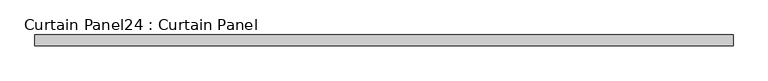
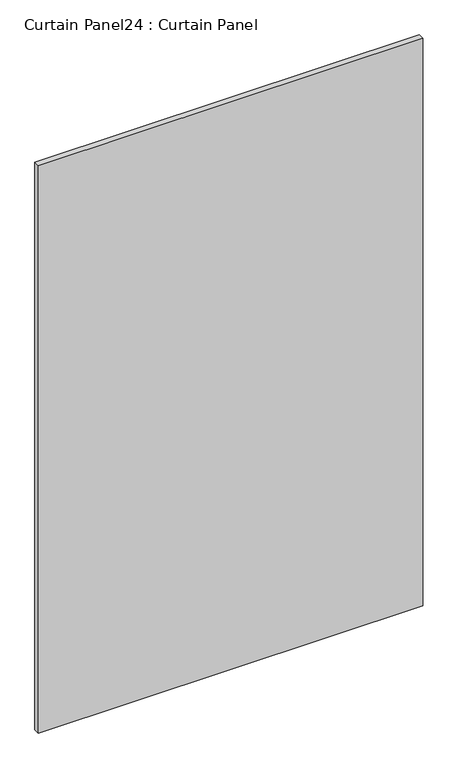
"""IFC4 building model written with IfcOpenShell, lengths in millimetres: plate geometry, Curtain Panel24 : Curtain Panel."""

from ifc_helpers import new_model, si_unit, frame, origin, place, context, project, spatial, polyline, outline, extrude, source, transform, mapped, element, save


def curtain_panel24_curtain_panel_c3df8631(model_context):
    return source(origin(), model_context, "Body", "SweptSolid", [
        extrude(outline(polyline([(24421.2846933, 3503.7898365), (22789.3505689, 3503.7898365), (22789.3505689, 3529.1898365), (24421.2846933, 3529.1898365), (24421.2846933, 3503.7898365)])), frame((0.0, 0.0, -540.6870014), z_axis=(0.0, 0.0, 1.0), x_axis=(1.0, 0.0, 0.0)), (0.0, 0.0, 1.0), 2546.3499989),
    ])


if __name__ == "__main__":
    model = new_model("IFC4")
    model_context = context("Model", 3, world=origin())
    ifc_project = project(units=[si_unit("LENGTHUNIT", "METRE", prefix="MILLI")], contexts=[model_context])
    site = spatial("IfcSite", under=ifc_project)
    building = spatial("IfcBuilding", under=site)
    placement = place(None, origin())
    curtain_panel24_curtain_panel_shape = curtain_panel24_curtain_panel_c3df8631(model_context)
    element("IfcPlate", 1, ObjectType="Curtain Panel24 : Curtain Panel", at=placement, inside=building, context=model_context, shape_type="MappedRepresentation", body=[
        mapped(curtain_panel24_curtain_panel_shape, transform((0.0, 0.0, 0.0), x_axis=(1.0, 0.0, 0.0), y_axis=(0.0, 1.0, 0.0), z_axis=(0.0, 0.0, 1.0))),
    ])
    save(model, "model.ifc")
